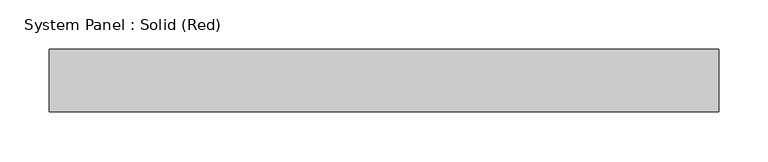
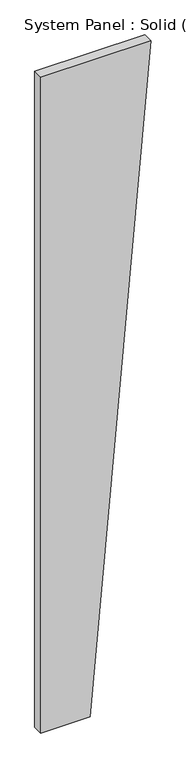
"""IFC4 building model written with IfcOpenShell, lengths in millimetres: plate geometry, System Panel : Solid (Red)."""

from ifc_helpers import new_model, si_unit, frame, origin, place, context, project, spatial, polyline, outline, extrude, source, transform, mapped, element, save


def system_panel_solid_red_05e6066e(model_context):
    return source(origin(), model_context, "Body", "SweptSolid", [
        extrude(outline(polyline([(0.0, -339.5578946), (0.0, -34.7578949), (4267.2, 339.5578946), (4267.2, -339.5578946), (0.0, -339.5578946)])), frame((0.0, -19.05, 0.0), z_axis=(0.0, 1.0, 0.0), x_axis=(0.0, 0.0, 1.0)), (0.0, 0.0, 1.0), 63.5),
    ])


if __name__ == "__main__":
    model = new_model("IFC4")
    model_context = context("Model", 3, world=origin())
    ifc_project = project(units=[si_unit("LENGTHUNIT", "METRE", prefix="MILLI")], contexts=[model_context])
    site = spatial("IfcSite", under=ifc_project)
    building = spatial("IfcBuilding", under=site)
    placement = place(None, origin())
    system_panel_solid_red_shape = system_panel_solid_red_05e6066e(model_context)
    element("IfcPlate", 1, ObjectType="System Panel : Solid (Red)", at=placement, inside=building, context=model_context, shape_type="MappedRepresentation", body=[
        mapped(system_panel_solid_red_shape, transform((0.0, 0.0, 0.0), x_axis=(1.0, 0.0, 0.0), y_axis=(0.0, 1.0, 0.0), z_axis=(0.0, 0.0, 1.0))),
    ])
    save(model, "model.ifc")
